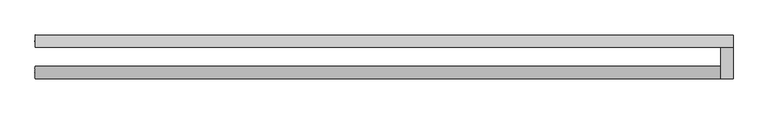
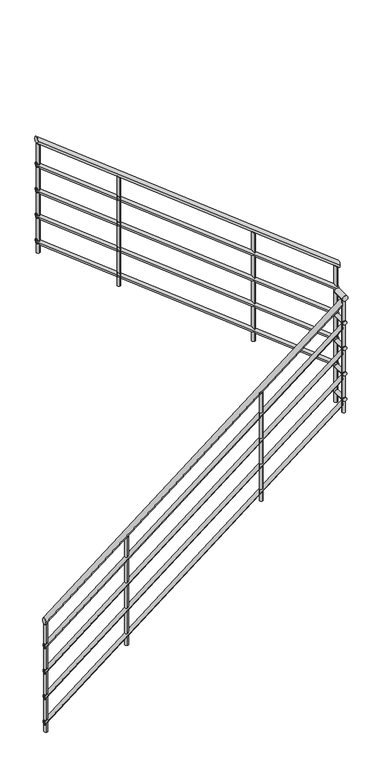
"""IFC4 building model written with IfcOpenShell, lengths in millimetres: railing geometry."""

from ifc_helpers import new_model, si_unit, point, frame, frame_2d, origin, place, context, project, spatial, circle_curve, ellipse_curve, trimmed, segment, composite_curve, outline, extrude, source, transform, mapped, element, save
from ifc_brep_helpers import plane_surface, cylinder_surface, advanced_brep


def railing_787b8aff(model_context):
    return source(origin(), model_context, "Body", "SolidModel", [
        advanced_brep(
        [(-1895.9784025, 14854.6868987, 1757.2120315), (-1895.9784025, 14894.6868987, 1757.2120315), (309.0215975, 14854.6868987, 3482.8642054), (309.0215975, 14894.6868987, 3482.8642054)],
        [
            (0, 1, ellipse_curve(frame((-1895.9784025, 14874.6868987, 1757.2120315), z_axis=(-1.0, 0.0, 0.0), x_axis=(0.0, 0.0, -1.0)), 25.3966641, 20.0)),
            (1, 0, ellipse_curve(frame((-1895.9784025, 14874.6868987, 1757.2120315), z_axis=(-1.0, 0.0, 0.0), x_axis=(0.0, 0.0, -1.0)), 25.3966641, 20.0)),
            (2, 3, ellipse_curve(frame((309.0215975, 14874.6868987, 3482.8642054), z_axis=(1.0, 0.0, 0.0), x_axis=(0.0, 0.0, -1.0)), 25.3966641, 20.0)),
            (3, 2, ellipse_curve(frame((309.0215975, 14874.6868987, 3482.8642054), z_axis=(1.0, 0.0, 0.0), x_axis=(0.0, 0.0, -1.0)), 25.3966641, 20.0)),
            (0, 2),
            (3, 1),
        ],
        [
            plane_surface(frame((-1895.9784025, 14874.6868987, 1782.6086957), z_axis=(-1.0, 0.0, 0.0), x_axis=(0.0, 1.0, 0.0))),
            plane_surface(frame((309.0215975, 14874.6868987, 3508.2608696), z_axis=(1.0, 0.0, 0.0), x_axis=(0.0, 1.0, 0.0))),
            cylinder_surface(frame((-1883.6522373, 14874.6868987, 1766.8585956), z_axis=(-0.7875050010075859, 0.0, -0.6163082616581106), x_axis=(0.0, 1.0, 0.0)), 20.0),
        ],
        [
            (0, [[1, 2]]),
            (1, [[3, 4]]),
            (2, [[-1, 5, -4, 6]]),
            (2, [[-2, -6, -3, -5]]),
        ],
    ),
        advanced_brep(
        [(349.0215975, 14854.6868987, 3523.4782609), (309.0215975, 14854.6868987, 3523.4782609), (349.0215975, 14954.6868987, 3523.4782609), (309.0215975, 14954.6868987, 3523.4782609)],
        [
            (0, 1, circle_curve(frame((329.0215975, 14854.6868987, 3523.4782609), z_axis=(0.0, -1.0, 0.0), x_axis=(-1.0, 0.0, 0.0)), 20.0)),
            (1, 0, circle_curve(frame((329.0215975, 14854.6868987, 3523.4782609), z_axis=(0.0, -1.0, 0.0), x_axis=(-1.0, 0.0, 0.0)), 20.0)),
            (2, 3, circle_curve(frame((329.0215975, 14954.6868987, 3523.4782609), z_axis=(0.0, 1.0, 0.0), x_axis=(-1.0, 0.0, 0.0)), 20.0)),
            (3, 2, circle_curve(frame((329.0215975, 14954.6868987, 3523.4782609), z_axis=(0.0, 1.0, 0.0), x_axis=(-1.0, 0.0, 0.0)), 20.0)),
            (0, 2),
            (3, 1),
        ],
        [
            plane_surface(frame((329.0215975, 14854.6868987, 3543.4782609), z_axis=(0.0, -1.0, 0.0), x_axis=(0.0, 0.0, 1.0))),
            plane_surface(frame((329.0215975, 14954.6868987, 3543.4782609), z_axis=(0.0, 1.0, 0.0), x_axis=(0.0, 0.0, 1.0))),
            cylinder_surface(frame((329.0215975, 14854.6868987, 3523.4782609), z_axis=(0.0, -1.0, 0.0), x_axis=(-1.0, 0.0, 0.0)), 20.0),
        ],
        [
            (0, [[1, 2]]),
            (1, [[3, 4]]),
            (2, [[-1, 5, -4, 6]]),
            (2, [[-2, -6, -3, -5]]),
        ],
    ),
        advanced_brep(
        [(349.0215975, 14994.6868987, 3717.6468141), (349.0215975, 14954.6868987, 3717.6468141), (-1895.9784025, 14994.6868987, 5474.6033359), (-1895.9784025, 14954.6868987, 5474.6033359)],
        [
            (0, 1, ellipse_curve(frame((349.0215975, 14974.6868987, 3717.6468141), z_axis=(1.0, 0.0, 0.0), x_axis=(0.0, 0.0, -1.0)), 25.3966641, 20.0)),
            (1, 0, ellipse_curve(frame((349.0215975, 14974.6868987, 3717.6468141), z_axis=(1.0, 0.0, 0.0), x_axis=(0.0, 0.0, -1.0)), 25.3966641, 20.0)),
            (2, 3, ellipse_curve(frame((-1895.9784025, 14974.6868987, 5474.6033359), z_axis=(-1.0, 0.0, 0.0), x_axis=(0.0, 0.0, -1.0)), 25.3966641, 20.0)),
            (3, 2, ellipse_curve(frame((-1895.9784025, 14974.6868987, 5474.6033359), z_axis=(-1.0, 0.0, 0.0), x_axis=(0.0, 0.0, -1.0)), 25.3966641, 20.0)),
            (0, 2),
            (3, 1),
        ],
        [
            plane_surface(frame((349.0215975, 14974.6868987, 3743.0434783), z_axis=(1.0, 0.0, 0.0), x_axis=(0.0, -1.0, 0.0))),
            plane_surface(frame((-1895.9784025, 14974.6868987, 5500.0), z_axis=(-1.0, 0.0, 0.0), x_axis=(0.0, -1.0, 0.0))),
            cylinder_surface(frame((336.6954323, 14974.6868987, 3727.2933782), z_axis=(0.7875050010075858, 0.0, -0.6163082616581107), x_axis=(0.0, -1.0, 0.0)), 20.0),
        ],
        [
            (0, [[1, 2]]),
            (1, [[3, 4]]),
            (2, [[-1, 5, -4, 6]]),
            (2, [[-2, -6, -3, -5]]),
        ],
    ),
        advanced_brep(
        [(-1895.9784025, 14859.6868987, 1563.5611976), (-1895.9784025, 14889.6868987, 1563.5611976), (314.0215975, 14859.6868987, 3293.126415), (314.0215975, 14889.6868987, 3293.126415)],
        [
            (0, 1, ellipse_curve(frame((-1895.9784025, 14874.6868987, 1563.5611976), z_axis=(-1.0, 0.0, 0.0), x_axis=(0.0, 0.0, -1.0)), 19.0474981, 15.0)),
            (1, 0, ellipse_curve(frame((-1895.9784025, 14874.6868987, 1563.5611976), z_axis=(-1.0, 0.0, 0.0), x_axis=(0.0, 0.0, -1.0)), 19.0474981, 15.0)),
            (2, 3, ellipse_curve(frame((314.0215975, 14874.6868987, 3293.126415), z_axis=(1.0, 0.0, 0.0), x_axis=(0.0, 0.0, -1.0)), 19.0474981, 15.0)),
            (3, 2, ellipse_curve(frame((314.0215975, 14874.6868987, 3293.126415), z_axis=(1.0, 0.0, 0.0), x_axis=(0.0, 0.0, -1.0)), 19.0474981, 15.0)),
            (0, 2),
            (3, 1),
        ],
        [
            plane_surface(frame((-1895.9784025, 14874.6868987, 1582.6086957), z_axis=(-1.0, 0.0, 0.0), x_axis=(0.0, 1.0, 0.0))),
            plane_surface(frame((314.0215975, 14874.6868987, 3312.173913), z_axis=(1.0, 0.0, 0.0), x_axis=(0.0, 1.0, 0.0))),
            cylinder_surface(frame((-1886.7337786, 14874.6868987, 1570.7961206), z_axis=(-0.7875050010075859, 0.0, -0.6163082616581106), x_axis=(0.0, 1.0, 0.0)), 15.0),
        ],
        [
            (0, [[1, 2]]),
            (1, [[3, 4]]),
            (2, [[-1, 5, -4, 6]]),
            (2, [[-2, -6, -3, -5]]),
        ],
    ),
        advanced_brep(
        [(344.0215975, 14859.6868987, 3328.4782609), (314.0215975, 14859.6868987, 3328.4782609), (344.0215975, 14959.6868987, 3328.4782609), (314.0215975, 14959.6868987, 3328.4782609)],
        [
            (0, 1, circle_curve(frame((329.0215975, 14859.6868987, 3328.4782609), z_axis=(0.0, -1.0, 0.0), x_axis=(-1.0, 0.0, 0.0)), 15.0)),
            (1, 0, circle_curve(frame((329.0215975, 14859.6868987, 3328.4782609), z_axis=(0.0, -1.0, 0.0), x_axis=(-1.0, 0.0, 0.0)), 15.0)),
            (2, 3, circle_curve(frame((329.0215975, 14959.6868987, 3328.4782609), z_axis=(0.0, 1.0, 0.0), x_axis=(-1.0, 0.0, 0.0)), 15.0)),
            (3, 2, circle_curve(frame((329.0215975, 14959.6868987, 3328.4782609), z_axis=(0.0, 1.0, 0.0), x_axis=(-1.0, 0.0, 0.0)), 15.0)),
            (0, 2),
            (3, 1),
        ],
        [
            plane_surface(frame((329.0215975, 14859.6868987, 3343.4782609), z_axis=(0.0, -1.0, 0.0), x_axis=(0.0, 0.0, 1.0))),
            plane_surface(frame((329.0215975, 14959.6868987, 3343.4782609), z_axis=(0.0, 1.0, 0.0), x_axis=(0.0, 0.0, 1.0))),
            cylinder_surface(frame((329.0215975, 14859.6868987, 3328.4782609), z_axis=(0.0, -1.0, 0.0), x_axis=(-1.0, 0.0, 0.0)), 15.0),
        ],
        [
            (0, [[1, 2]]),
            (1, [[3, 4]]),
            (2, [[-1, 5, -4, 6]]),
            (2, [[-2, -6, -3, -5]]),
        ],
    ),
        advanced_brep(
        [(344.0215975, 14989.6868987, 3527.9090237), (344.0215975, 14959.6868987, 3527.9090237), (-1895.9784025, 14989.6868987, 5280.9525019), (-1895.9784025, 14959.6868987, 5280.9525019)],
        [
            (0, 1, ellipse_curve(frame((344.0215975, 14974.6868987, 3527.9090237), z_axis=(1.0, 0.0, 0.0), x_axis=(0.0, 0.0, -1.0)), 19.0474981, 15.0)),
            (1, 0, ellipse_curve(frame((344.0215975, 14974.6868987, 3527.9090237), z_axis=(1.0, 0.0, 0.0), x_axis=(0.0, 0.0, -1.0)), 19.0474981, 15.0)),
            (2, 3, ellipse_curve(frame((-1895.9784025, 14974.6868987, 5280.9525019), z_axis=(-1.0, 0.0, 0.0), x_axis=(0.0, 0.0, -1.0)), 19.0474981, 15.0)),
            (3, 2, ellipse_curve(frame((-1895.9784025, 14974.6868987, 5280.9525019), z_axis=(-1.0, 0.0, 0.0), x_axis=(0.0, 0.0, -1.0)), 19.0474981, 15.0)),
            (0, 2),
            (3, 1),
        ],
        [
            plane_surface(frame((344.0215975, 14974.6868987, 3546.9565217), z_axis=(1.0, 0.0, 0.0), x_axis=(0.0, -1.0, 0.0))),
            plane_surface(frame((-1895.9784025, 14974.6868987, 5300.0), z_axis=(-1.0, 0.0, 0.0), x_axis=(0.0, -1.0, 0.0))),
            cylinder_surface(frame((334.7769736, 14974.6868987, 3535.1439467), z_axis=(0.7875050010075858, 0.0, -0.6163082616581107), x_axis=(0.0, -1.0, 0.0)), 15.0),
        ],
        [
            (0, [[1, 2]]),
            (1, [[3, 4]]),
            (2, [[-1, 5, -4, 6]]),
            (2, [[-2, -6, -3, -5]]),
        ],
    ),
        advanced_brep(
        [(-1895.9784025, 14859.6868987, 1363.5611976), (-1895.9784025, 14889.6868987, 1363.5611976), (314.0215975, 14859.6868987, 3093.126415), (314.0215975, 14889.6868987, 3093.126415)],
        [
            (0, 1, ellipse_curve(frame((-1895.9784025, 14874.6868987, 1363.5611976), z_axis=(-1.0, 0.0, 0.0), x_axis=(0.0, 0.0, -1.0)), 19.0474981, 15.0)),
            (1, 0, ellipse_curve(frame((-1895.9784025, 14874.6868987, 1363.5611976), z_axis=(-1.0, 0.0, 0.0), x_axis=(0.0, 0.0, -1.0)), 19.0474981, 15.0)),
            (2, 3, ellipse_curve(frame((314.0215975, 14874.6868987, 3093.126415), z_axis=(1.0, 0.0, 0.0), x_axis=(0.0, 0.0, -1.0)), 19.0474981, 15.0)),
            (3, 2, ellipse_curve(frame((314.0215975, 14874.6868987, 3093.126415), z_axis=(1.0, 0.0, 0.0), x_axis=(0.0, 0.0, -1.0)), 19.0474981, 15.0)),
            (0, 2),
            (3, 1),
        ],
        [
            plane_surface(frame((-1895.9784025, 14874.6868987, 1382.6086957), z_axis=(-1.0, 0.0, 0.0), x_axis=(0.0, 1.0, 0.0))),
            plane_surface(frame((314.0215975, 14874.6868987, 3112.173913), z_axis=(1.0, 0.0, 0.0), x_axis=(0.0, 1.0, 0.0))),
            cylinder_surface(frame((-1886.7337786, 14874.6868987, 1370.7961206), z_axis=(-0.7875050010075859, 0.0, -0.6163082616581106), x_axis=(0.0, 1.0, 0.0)), 15.0),
        ],
        [
            (0, [[1, 2]]),
            (1, [[3, 4]]),
            (2, [[-1, 5, -4, 6]]),
            (2, [[-2, -6, -3, -5]]),
        ],
    ),
        advanced_brep(
        [(344.0215975, 14859.6868987, 3128.4782609), (314.0215975, 14859.6868987, 3128.4782609), (344.0215975, 14959.6868987, 3128.4782609), (314.0215975, 14959.6868987, 3128.4782609)],
        [
            (0, 1, circle_curve(frame((329.0215975, 14859.6868987, 3128.4782609), z_axis=(0.0, -1.0, 0.0), x_axis=(-1.0, 0.0, 0.0)), 15.0)),
            (1, 0, circle_curve(frame((329.0215975, 14859.6868987, 3128.4782609), z_axis=(0.0, -1.0, 0.0), x_axis=(-1.0, 0.0, 0.0)), 15.0)),
            (2, 3, circle_curve(frame((329.0215975, 14959.6868987, 3128.4782609), z_axis=(0.0, 1.0, 0.0), x_axis=(-1.0, 0.0, 0.0)), 15.0)),
            (3, 2, circle_curve(frame((329.0215975, 14959.6868987, 3128.4782609), z_axis=(0.0, 1.0, 0.0), x_axis=(-1.0, 0.0, 0.0)), 15.0)),
            (0, 2),
            (3, 1),
        ],
        [
            plane_surface(frame((329.0215975, 14859.6868987, 3143.4782609), z_axis=(0.0, -1.0, 0.0), x_axis=(0.0, 0.0, 1.0))),
            plane_surface(frame((329.0215975, 14959.6868987, 3143.4782609), z_axis=(0.0, 1.0, 0.0), x_axis=(0.0, 0.0, 1.0))),
            cylinder_surface(frame((329.0215975, 14859.6868987, 3128.4782609), z_axis=(0.0, -1.0, 0.0), x_axis=(-1.0, 0.0, 0.0)), 15.0),
        ],
        [
            (0, [[1, 2]]),
            (1, [[3, 4]]),
            (2, [[-1, 5, -4, 6]]),
            (2, [[-2, -6, -3, -5]]),
        ],
    ),
        advanced_brep(
        [(344.0215975, 14989.6868987, 3327.9090237), (344.0215975, 14959.6868987, 3327.9090237), (-1895.9784025, 14989.6868987, 5080.9525019), (-1895.9784025, 14959.6868987, 5080.9525019)],
        [
            (0, 1, ellipse_curve(frame((344.0215975, 14974.6868987, 3327.9090237), z_axis=(1.0, 0.0, 0.0), x_axis=(0.0, 0.0, -1.0)), 19.0474981, 15.0)),
            (1, 0, ellipse_curve(frame((344.0215975, 14974.6868987, 3327.9090237), z_axis=(1.0, 0.0, 0.0), x_axis=(0.0, 0.0, -1.0)), 19.0474981, 15.0)),
            (2, 3, ellipse_curve(frame((-1895.9784025, 14974.6868987, 5080.9525019), z_axis=(-1.0, 0.0, 0.0), x_axis=(0.0, 0.0, -1.0)), 19.0474981, 15.0)),
            (3, 2, ellipse_curve(frame((-1895.9784025, 14974.6868987, 5080.9525019), z_axis=(-1.0, 0.0, 0.0), x_axis=(0.0, 0.0, -1.0)), 19.0474981, 15.0)),
            (0, 2),
            (3, 1),
        ],
        [
            plane_surface(frame((344.0215975, 14974.6868987, 3346.9565217), z_axis=(1.0, 0.0, 0.0), x_axis=(0.0, -1.0, 0.0))),
            plane_surface(frame((-1895.9784025, 14974.6868987, 5100.0), z_axis=(-1.0, 0.0, 0.0), x_axis=(0.0, -1.0, 0.0))),
            cylinder_surface(frame((334.7769736, 14974.6868987, 3335.1439467), z_axis=(0.7875050010075858, 0.0, -0.6163082616581107), x_axis=(0.0, -1.0, 0.0)), 15.0),
        ],
        [
            (0, [[1, 2]]),
            (1, [[3, 4]]),
            (2, [[-1, 5, -4, 6]]),
            (2, [[-2, -6, -3, -5]]),
        ],
    ),
        advanced_brep(
        [(-1895.9784025, 14859.6868987, 1163.5611976), (-1895.9784025, 14889.6868987, 1163.5611976), (314.0215975, 14859.6868987, 2893.126415), (314.0215975, 14889.6868987, 2893.126415)],
        [
            (0, 1, ellipse_curve(frame((-1895.9784025, 14874.6868987, 1163.5611976), z_axis=(-1.0, 0.0, 0.0), x_axis=(0.0, 0.0, -1.0)), 19.0474981, 15.0)),
            (1, 0, ellipse_curve(frame((-1895.9784025, 14874.6868987, 1163.5611976), z_axis=(-1.0, 0.0, 0.0), x_axis=(0.0, 0.0, -1.0)), 19.0474981, 15.0)),
            (2, 3, ellipse_curve(frame((314.0215975, 14874.6868987, 2893.126415), z_axis=(1.0, 0.0, 0.0), x_axis=(0.0, 0.0, -1.0)), 19.0474981, 15.0)),
            (3, 2, ellipse_curve(frame((314.0215975, 14874.6868987, 2893.126415), z_axis=(1.0, 0.0, 0.0), x_axis=(0.0, 0.0, -1.0)), 19.0474981, 15.0)),
            (0, 2),
            (3, 1),
        ],
        [
            plane_surface(frame((-1895.9784025, 14874.6868987, 1182.6086957), z_axis=(-1.0, 0.0, 0.0), x_axis=(0.0, 1.0, 0.0))),
            plane_surface(frame((314.0215975, 14874.6868987, 2912.173913), z_axis=(1.0, 0.0, 0.0), x_axis=(0.0, 1.0, 0.0))),
            cylinder_surface(frame((-1886.7337786, 14874.6868987, 1170.7961206), z_axis=(-0.7875050010075859, 0.0, -0.6163082616581106), x_axis=(0.0, 1.0, 0.0)), 15.0),
        ],
        [
            (0, [[1, 2]]),
            (1, [[3, 4]]),
            (2, [[-1, 5, -4, 6]]),
            (2, [[-2, -6, -3, -5]]),
        ],
    ),
        advanced_brep(
        [(344.0215975, 14859.6868987, 2928.4782609), (314.0215975, 14859.6868987, 2928.4782609), (344.0215975, 14959.6868987, 2928.4782609), (314.0215975, 14959.6868987, 2928.4782609)],
        [
            (0, 1, circle_curve(frame((329.0215975, 14859.6868987, 2928.4782609), z_axis=(0.0, -1.0, 0.0), x_axis=(-1.0, 0.0, 0.0)), 15.0)),
            (1, 0, circle_curve(frame((329.0215975, 14859.6868987, 2928.4782609), z_axis=(0.0, -1.0, 0.0), x_axis=(-1.0, 0.0, 0.0)), 15.0)),
            (2, 3, circle_curve(frame((329.0215975, 14959.6868987, 2928.4782609), z_axis=(0.0, 1.0, 0.0), x_axis=(-1.0, 0.0, 0.0)), 15.0)),
            (3, 2, circle_curve(frame((329.0215975, 14959.6868987, 2928.4782609), z_axis=(0.0, 1.0, 0.0), x_axis=(-1.0, 0.0, 0.0)), 15.0)),
            (0, 2),
            (3, 1),
        ],
        [
            plane_surface(frame((329.0215975, 14859.6868987, 2943.4782609), z_axis=(0.0, -1.0, 0.0), x_axis=(0.0, 0.0, 1.0))),
            plane_surface(frame((329.0215975, 14959.6868987, 2943.4782609), z_axis=(0.0, 1.0, 0.0), x_axis=(0.0, 0.0, 1.0))),
            cylinder_surface(frame((329.0215975, 14859.6868987, 2928.4782609), z_axis=(0.0, -1.0, 0.0), x_axis=(-1.0, 0.0, 0.0)), 15.0),
        ],
        [
            (0, [[1, 2]]),
            (1, [[3, 4]]),
            (2, [[-1, 5, -4, 6]]),
            (2, [[-2, -6, -3, -5]]),
        ],
    ),
        advanced_brep(
        [(344.0215975, 14989.6868987, 3127.9090237), (344.0215975, 14959.6868987, 3127.9090237), (-1895.9784025, 14989.6868987, 4880.9525019), (-1895.9784025, 14959.6868987, 4880.9525019)],
        [
            (0, 1, ellipse_curve(frame((344.0215975, 14974.6868987, 3127.9090237), z_axis=(1.0, 0.0, 0.0), x_axis=(0.0, 0.0, -1.0)), 19.0474981, 15.0)),
            (1, 0, ellipse_curve(frame((344.0215975, 14974.6868987, 3127.9090237), z_axis=(1.0, 0.0, 0.0), x_axis=(0.0, 0.0, -1.0)), 19.0474981, 15.0)),
            (2, 3, ellipse_curve(frame((-1895.9784025, 14974.6868987, 4880.9525019), z_axis=(-1.0, 0.0, 0.0), x_axis=(0.0, 0.0, -1.0)), 19.0474981, 15.0)),
            (3, 2, ellipse_curve(frame((-1895.9784025, 14974.6868987, 4880.9525019), z_axis=(-1.0, 0.0, 0.0), x_axis=(0.0, 0.0, -1.0)), 19.0474981, 15.0)),
            (0, 2),
            (3, 1),
        ],
        [
            plane_surface(frame((344.0215975, 14974.6868987, 3146.9565217), z_axis=(1.0, 0.0, 0.0), x_axis=(0.0, -1.0, 0.0))),
            plane_surface(frame((-1895.9784025, 14974.6868987, 4900.0), z_axis=(-1.0, 0.0, 0.0), x_axis=(0.0, -1.0, 0.0))),
            cylinder_surface(frame((334.7769736, 14974.6868987, 3135.1439467), z_axis=(0.7875050010075858, 0.0, -0.6163082616581107), x_axis=(0.0, -1.0, 0.0)), 15.0),
        ],
        [
            (0, [[1, 2]]),
            (1, [[3, 4]]),
            (2, [[-1, 5, -4, 6]]),
            (2, [[-2, -6, -3, -5]]),
        ],
    ),
        advanced_brep(
        [(-1895.9784025, 14859.6868987, 963.5611976), (-1895.9784025, 14889.6868987, 963.5611976), (314.0215975, 14859.6868987, 2693.126415), (314.0215975, 14889.6868987, 2693.126415)],
        [
            (0, 1, ellipse_curve(frame((-1895.9784025, 14874.6868987, 963.5611976), z_axis=(-1.0, 0.0, 0.0), x_axis=(0.0, 0.0, -1.0)), 19.0474981, 15.0)),
            (1, 0, ellipse_curve(frame((-1895.9784025, 14874.6868987, 963.5611976), z_axis=(-1.0, 0.0, 0.0), x_axis=(0.0, 0.0, -1.0)), 19.0474981, 15.0)),
            (2, 3, ellipse_curve(frame((314.0215975, 14874.6868987, 2693.126415), z_axis=(1.0, 0.0, 0.0), x_axis=(0.0, 0.0, -1.0)), 19.0474981, 15.0)),
            (3, 2, ellipse_curve(frame((314.0215975, 14874.6868987, 2693.126415), z_axis=(1.0, 0.0, 0.0), x_axis=(0.0, 0.0, -1.0)), 19.0474981, 15.0)),
            (0, 2),
            (3, 1),
        ],
        [
            plane_surface(frame((-1895.9784025, 14874.6868987, 982.6086957), z_axis=(-1.0, 0.0, 0.0), x_axis=(0.0, 1.0, 0.0))),
            plane_surface(frame((314.0215975, 14874.6868987, 2712.173913), z_axis=(1.0, 0.0, 0.0), x_axis=(0.0, 1.0, 0.0))),
            cylinder_surface(frame((-1886.7337786, 14874.6868987, 970.7961206), z_axis=(-0.7875050010075859, 0.0, -0.6163082616581106), x_axis=(0.0, 1.0, 0.0)), 15.0),
        ],
        [
            (0, [[1, 2]]),
            (1, [[3, 4]]),
            (2, [[-1, 5, -4, 6]]),
            (2, [[-2, -6, -3, -5]]),
        ],
    ),
        advanced_brep(
        [(344.0215975, 14859.6868987, 2728.4782609), (314.0215975, 14859.6868987, 2728.4782609), (344.0215975, 14959.6868987, 2728.4782609), (314.0215975, 14959.6868987, 2728.4782609)],
        [
            (0, 1, circle_curve(frame((329.0215975, 14859.6868987, 2728.4782609), z_axis=(0.0, -1.0, 0.0), x_axis=(-1.0, 0.0, 0.0)), 15.0)),
            (1, 0, circle_curve(frame((329.0215975, 14859.6868987, 2728.4782609), z_axis=(0.0, -1.0, 0.0), x_axis=(-1.0, 0.0, 0.0)), 15.0)),
            (2, 3, circle_curve(frame((329.0215975, 14959.6868987, 2728.4782609), z_axis=(0.0, 1.0, 0.0), x_axis=(-1.0, 0.0, 0.0)), 15.0)),
            (3, 2, circle_curve(frame((329.0215975, 14959.6868987, 2728.4782609), z_axis=(0.0, 1.0, 0.0), x_axis=(-1.0, 0.0, 0.0)), 15.0)),
            (0, 2),
            (3, 1),
        ],
        [
            plane_surface(frame((329.0215975, 14859.6868987, 2743.4782609), z_axis=(0.0, -1.0, 0.0), x_axis=(0.0, 0.0, 1.0))),
            plane_surface(frame((329.0215975, 14959.6868987, 2743.4782609), z_axis=(0.0, 1.0, 0.0), x_axis=(0.0, 0.0, 1.0))),
            cylinder_surface(frame((329.0215975, 14859.6868987, 2728.4782609), z_axis=(0.0, -1.0, 0.0), x_axis=(-1.0, 0.0, 0.0)), 15.0),
        ],
        [
            (0, [[1, 2]]),
            (1, [[3, 4]]),
            (2, [[-1, 5, -4, 6]]),
            (2, [[-2, -6, -3, -5]]),
        ],
    ),
        advanced_brep(
        [(344.0215975, 14989.6868987, 2927.9090237), (344.0215975, 14959.6868987, 2927.9090237), (-1895.9784025, 14989.6868987, 4680.9525019), (-1895.9784025, 14959.6868987, 4680.9525019)],
        [
            (0, 1, ellipse_curve(frame((344.0215975, 14974.6868987, 2927.9090237), z_axis=(1.0, 0.0, 0.0), x_axis=(0.0, 0.0, -1.0)), 19.0474981, 15.0)),
            (1, 0, ellipse_curve(frame((344.0215975, 14974.6868987, 2927.9090237), z_axis=(1.0, 0.0, 0.0), x_axis=(0.0, 0.0, -1.0)), 19.0474981, 15.0)),
            (2, 3, ellipse_curve(frame((-1895.9784025, 14974.6868987, 4680.9525019), z_axis=(-1.0, 0.0, 0.0), x_axis=(0.0, 0.0, -1.0)), 19.0474981, 15.0)),
            (3, 2, ellipse_curve(frame((-1895.9784025, 14974.6868987, 4680.9525019), z_axis=(-1.0, 0.0, 0.0), x_axis=(0.0, 0.0, -1.0)), 19.0474981, 15.0)),
            (0, 2),
            (3, 1),
        ],
        [
            plane_surface(frame((344.0215975, 14974.6868987, 2946.9565217), z_axis=(1.0, 0.0, 0.0), x_axis=(0.0, -1.0, 0.0))),
            plane_surface(frame((-1895.9784025, 14974.6868987, 4700.0), z_axis=(-1.0, 0.0, 0.0), x_axis=(0.0, -1.0, 0.0))),
            cylinder_surface(frame((334.7769736, 14974.6868987, 2935.1439467), z_axis=(0.7875050010075858, 0.0, -0.6163082616581107), x_axis=(0.0, -1.0, 0.0)), 15.0),
        ],
        [
            (0, [[1, 2]]),
            (1, [[3, 4]]),
            (2, [[-1, 5, -4, 6]]),
            (2, [[-2, -6, -3, -5]]),
        ],
    ),
        advanced_brep(
        [(-1283.4784025, 14962.1868987, 4969.8588457), (-1283.4784025, 14987.1868987, 4969.8588457), (-1283.4784025, 14987.1868987, 4120.6521739), (-1283.4784025, 14962.1868987, 4120.6521739)],
        [
            (0, 1, ellipse_curve(frame((-1283.4784025, 14974.6868987, 4969.8588457), z_axis=(-0.6163082616581094, 0.0, -0.7875050010075869), x_axis=(-0.787505001007587, 0.0, 0.6163082616581093)), 15.8729151, 12.5)),
            (1, 2),
            (2, 3, circle_curve(frame((-1283.4784025, 14974.6868987, 4120.6521739), z_axis=(0.0, 0.0, 1.0), x_axis=(0.0, 1.0, 0.0)), 12.5)),
            (3, 0),
            (3, 2, circle_curve(frame((-1283.4784025, 14974.6868987, 4120.6521739), z_axis=(0.0, 0.0, 1.0), x_axis=(0.0, 1.0, 0.0)), 12.5)),
            (1, 0, ellipse_curve(frame((-1283.4784025, 14974.6868987, 4969.8588457), z_axis=(-0.6163082616581094, 0.0, -0.7875050010075869), x_axis=(-0.787505001007587, 0.0, 0.6163082616581093)), 15.8729151, 12.5)),
        ],
        [
            cylinder_surface(frame((-1283.4784025, 14974.6868987, 4020.6521739), z_axis=(0.0, 0.0, 1.0), x_axis=(0.0, 1.0, 0.0)), 12.5),
            plane_surface(frame((-1308.4784025, 14999.6868987, 4989.4240631), z_axis=(0.6163082616581094, 0.0, 0.7875050010075869), x_axis=(0.0, -1.0, 0.0))),
            plane_surface(frame((-1258.4784025, 14999.6868987, 4120.6521739), z_axis=(0.0, 0.0, -1.0), x_axis=(0.0, -1.0, 0.0))),
        ],
        [
            (0, [[1, 2, 3, 4]]),
            (0, [[5, -2, 6, -4]]),
            (1, [[-6, -1]]),
            (2, [[-5, -3]]),
        ],
    ),
        advanced_brep(
        [(-283.4784025, 14962.1868987, 4187.25015), (-283.4784025, 14987.1868987, 4187.25015), (-283.4784025, 14987.1868987, 3338.0434783), (-283.4784025, 14962.1868987, 3338.0434783)],
        [
            (0, 1, ellipse_curve(frame((-283.4784025, 14974.6868987, 4187.25015), z_axis=(-0.6163082616581094, 0.0, -0.7875050010075869), x_axis=(-0.787505001007587, 0.0, 0.6163082616581093)), 15.8729151, 12.5)),
            (1, 2),
            (2, 3, circle_curve(frame((-283.4784025, 14974.6868987, 3338.0434783), z_axis=(0.0, 0.0, 1.0), x_axis=(0.0, 1.0, 0.0)), 12.5)),
            (3, 0),
            (3, 2, circle_curve(frame((-283.4784025, 14974.6868987, 3338.0434783), z_axis=(0.0, 0.0, 1.0), x_axis=(0.0, 1.0, 0.0)), 12.5)),
            (1, 0, ellipse_curve(frame((-283.4784025, 14974.6868987, 4187.25015), z_axis=(-0.6163082616581094, 0.0, -0.7875050010075869), x_axis=(-0.787505001007587, 0.0, 0.6163082616581093)), 15.8729151, 12.5)),
        ],
        [
            cylinder_surface(frame((-283.4784025, 14974.6868987, 3238.0434783), z_axis=(0.0, 0.0, 1.0), x_axis=(0.0, 1.0, 0.0)), 12.5),
            plane_surface(frame((-308.4784025, 14999.6868987, 4206.8153674), z_axis=(0.6163082616581094, 0.0, 0.7875050010075869), x_axis=(0.0, -1.0, 0.0))),
            plane_surface(frame((-258.4784025, 14999.6868987, 3338.0434783), z_axis=(0.0, 0.0, -1.0), x_axis=(0.0, -1.0, 0.0))),
        ],
        [
            (0, [[1, 2, 3, 4]]),
            (0, [[5, -2, 6, -4]]),
            (1, [[-6, -1]]),
            (2, [[-5, -3]]),
        ],
    ),
        advanced_brep(
        [(-283.4784025, 14887.1868987, 2993.7718892), (-283.4784025, 14862.1868987, 2993.7718892), (-283.4784025, 14862.1868987, 2144.5652174), (-283.4784025, 14887.1868987, 2144.5652174)],
        [
            (0, 1, ellipse_curve(frame((-283.4784025, 14874.6868987, 2993.7718892), z_axis=(0.6163082616581094, 0.0, -0.7875050010075869), x_axis=(0.787505001007587, 0.0, 0.6163082616581093)), 15.8729151, 12.5)),
            (1, 2),
            (2, 3, circle_curve(frame((-283.4784025, 14874.6868987, 2144.5652174), z_axis=(0.0, 0.0, 1.0), x_axis=(0.0, -1.0, 0.0)), 12.5)),
            (3, 0),
            (3, 2, circle_curve(frame((-283.4784025, 14874.6868987, 2144.5652174), z_axis=(0.0, 0.0, 1.0), x_axis=(0.0, -1.0, 0.0)), 12.5)),
            (1, 0, ellipse_curve(frame((-283.4784025, 14874.6868987, 2993.7718892), z_axis=(0.6163082616581094, 0.0, -0.7875050010075869), x_axis=(0.787505001007587, 0.0, 0.6163082616581093)), 15.8729151, 12.5)),
        ],
        [
            cylinder_surface(frame((-283.4784025, 14874.6868987, 2044.5652174), z_axis=(0.0, 0.0, 1.0), x_axis=(0.0, -1.0, 0.0)), 12.5),
            plane_surface(frame((-258.4784025, 14849.6868987, 3013.3371066), z_axis=(-0.6163082616581094, 0.0, 0.7875050010075869), x_axis=(0.0, 1.0, 0.0))),
            plane_surface(frame((-308.4784025, 14849.6868987, 2144.5652174), z_axis=(0.0, 0.0, -1.0), x_axis=(0.0, 1.0, 0.0))),
        ],
        [
            (0, [[1, 2, 3, 4]]),
            (0, [[5, -2, 6, -4]]),
            (1, [[-6, -1]]),
            (2, [[-5, -3]]),
        ],
    ),
        advanced_brep(
        [(-1283.4784025, 14887.1868987, 2211.1631935), (-1283.4784025, 14862.1868987, 2211.1631935), (-1283.4784025, 14862.1868987, 1361.9565217), (-1283.4784025, 14887.1868987, 1361.9565217)],
        [
            (0, 1, ellipse_curve(frame((-1283.4784025, 14874.6868987, 2211.1631935), z_axis=(0.6163082616581094, 0.0, -0.7875050010075869), x_axis=(0.787505001007587, 0.0, 0.6163082616581093)), 15.8729151, 12.5)),
            (1, 2),
            (2, 3, circle_curve(frame((-1283.4784025, 14874.6868987, 1361.9565217), z_axis=(0.0, 0.0, 1.0), x_axis=(0.0, -1.0, 0.0)), 12.5)),
            (3, 0),
            (3, 2, circle_curve(frame((-1283.4784025, 14874.6868987, 1361.9565217), z_axis=(0.0, 0.0, 1.0), x_axis=(0.0, -1.0, 0.0)), 12.5)),
            (1, 0, ellipse_curve(frame((-1283.4784025, 14874.6868987, 2211.1631935), z_axis=(0.6163082616581094, 0.0, -0.7875050010075869), x_axis=(0.787505001007587, 0.0, 0.6163082616581093)), 15.8729151, 12.5)),
        ],
        [
            cylinder_surface(frame((-1283.4784025, 14874.6868987, 1261.9565217), z_axis=(0.0, 0.0, 1.0), x_axis=(0.0, -1.0, 0.0)), 12.5),
            plane_surface(frame((-1258.4784025, 14849.6868987, 2230.7284109), z_axis=(-0.6163082616581094, 0.0, 0.7875050010075869), x_axis=(0.0, 1.0, 0.0))),
            plane_surface(frame((-1308.4784025, 14849.6868987, 1361.9565217), z_axis=(0.0, 0.0, -1.0), x_axis=(0.0, 1.0, 0.0))),
        ],
        [
            (0, [[1, 2, 3, 4]]),
            (0, [[5, -2, 6, -4]]),
            (1, [[-6, -1]]),
            (2, [[-5, -3]]),
        ],
    ),
        advanced_brep(
        [(329.0215975, 14962.1868987, 3707.9023239), (329.0215975, 14987.1868987, 3707.9023239), (329.0215975, 14987.1868987, 2643.4782609), (329.0215975, 14962.1868987, 2643.4782609)],
        [
            (0, 1, ellipse_curve(frame((329.0215975, 14974.6868987, 3707.9023239), z_axis=(-0.6163082616581094, 0.0, -0.7875050010075869), x_axis=(-0.787505001007587, 0.0, 0.6163082616581093)), 15.8729151, 12.5)),
            (1, 2),
            (2, 3, circle_curve(frame((329.0215975, 14974.6868987, 2643.4782609), z_axis=(0.0, 0.0, 1.0), x_axis=(0.0, 1.0, 0.0)), 12.5)),
            (3, 0),
            (3, 2, circle_curve(frame((329.0215975, 14974.6868987, 2643.4782609), z_axis=(0.0, 0.0, 1.0), x_axis=(0.0, 1.0, 0.0)), 12.5)),
            (1, 0, ellipse_curve(frame((329.0215975, 14974.6868987, 3707.9023239), z_axis=(-0.6163082616581094, 0.0, -0.7875050010075869), x_axis=(-0.787505001007587, 0.0, 0.6163082616581093)), 15.8729151, 12.5)),
        ],
        [
            cylinder_surface(frame((329.0215975, 14974.6868987, 2543.4782609), z_axis=(0.0, 0.0, 1.0), x_axis=(0.0, 1.0, 0.0)), 12.5),
            plane_surface(frame((304.0215975, 14999.6868987, 3727.4675413), z_axis=(0.6163082616581094, 0.0, 0.7875050010075869), x_axis=(0.0, -1.0, 0.0))),
            plane_surface(frame((354.0215975, 14999.6868987, 2643.4782609), z_axis=(0.0, 0.0, -1.0), x_axis=(0.0, -1.0, 0.0))),
        ],
        [
            (0, [[1, 2, 3, 4]]),
            (0, [[5, -2, 6, -4]]),
            (1, [[-6, -1]]),
            (2, [[-5, -3]]),
        ],
    ),
        extrude(outline(composite_curve([segment(trimmed(circle_curve(frame_2d((329.0215975, 14874.6868987)), 12.5), [point((341.5215975, 14874.6868987))], [point((316.5215975, 14874.6868987))], False, "CARTESIAN"), True, "CONTINUOUS"), segment(trimmed(circle_curve(frame_2d((329.0215975, 14874.6868987)), 12.5), [point((316.5215975, 14874.6868987))], [point((341.5215975, 14874.6868987))], False, "CARTESIAN"), True, "CONTINUOUS")], self_intersect=False)), frame((0.0, 0.0, 2623.9130435), z_axis=(0.0, 0.0, 1.0), x_axis=(1.0, 0.0, 0.0)), (0.0, 0.0, 1.0), 879.5652174),
        advanced_brep(
        [(-1883.7918036, 14962.1868987, 5439.6693335), (-1883.7918036, 14987.1868987, 5439.6693335), (-1883.7918036, 14987.1868987, 4590.4626617), (-1883.7918036, 14962.1868987, 4590.4626617)],
        [
            (0, 1, ellipse_curve(frame((-1883.7918036, 14974.6868987, 5439.6693335), z_axis=(-0.6163082616581094, 0.0, -0.7875050010075869), x_axis=(-0.787505001007587, 0.0, 0.6163082616581093)), 15.8729151, 12.5)),
            (1, 2),
            (2, 3, circle_curve(frame((-1883.7918036, 14974.6868987, 4590.4626617), z_axis=(0.0, 0.0, 1.0), x_axis=(0.0, 1.0, 0.0)), 12.5)),
            (3, 0),
            (3, 2, circle_curve(frame((-1883.7918036, 14974.6868987, 4590.4626617), z_axis=(0.0, 0.0, 1.0), x_axis=(0.0, 1.0, 0.0)), 12.5)),
            (1, 0, ellipse_curve(frame((-1883.7918036, 14974.6868987, 5439.6693335), z_axis=(-0.6163082616581094, 0.0, -0.7875050010075869), x_axis=(-0.787505001007587, 0.0, 0.6163082616581093)), 15.8729151, 12.5)),
        ],
        [
            cylinder_surface(frame((-1883.7918036, 14974.6868987, 4490.4626617), z_axis=(0.0, 0.0, 1.0), x_axis=(0.0, 1.0, 0.0)), 12.5),
            plane_surface(frame((-1908.7918036, 14999.6868987, 5459.2345509), z_axis=(0.6163082616581094, 0.0, 0.7875050010075869), x_axis=(0.0, -1.0, 0.0))),
            plane_surface(frame((-1858.7918036, 14999.6868987, 4590.4626617), z_axis=(0.0, 0.0, -1.0), x_axis=(0.0, -1.0, 0.0))),
        ],
        [
            (0, [[1, 2, 3, 4]]),
            (0, [[5, -2, 6, -4]]),
            (1, [[-6, -1]]),
            (2, [[-5, -3]]),
        ],
    ),
        advanced_brep(
        [(-1883.7918036, 14887.1868987, 1741.3527057), (-1883.7918036, 14862.1868987, 1741.3527057), (-1883.7918036, 14862.1868987, 892.1460339), (-1883.7918036, 14887.1868987, 892.1460339)],
        [
            (0, 1, ellipse_curve(frame((-1883.7918036, 14874.6868987, 1741.3527057), z_axis=(0.6163082616581094, 0.0, -0.7875050010075869), x_axis=(0.787505001007587, 0.0, 0.6163082616581093)), 15.8729151, 12.5)),
            (1, 2),
            (2, 3, circle_curve(frame((-1883.7918036, 14874.6868987, 892.1460339), z_axis=(0.0, 0.0, 1.0), x_axis=(0.0, -1.0, 0.0)), 12.5)),
            (3, 0),
            (3, 2, circle_curve(frame((-1883.7918036, 14874.6868987, 892.1460339), z_axis=(0.0, 0.0, 1.0), x_axis=(0.0, -1.0, 0.0)), 12.5)),
            (1, 0, ellipse_curve(frame((-1883.7918036, 14874.6868987, 1741.3527057), z_axis=(0.6163082616581094, 0.0, -0.7875050010075869), x_axis=(0.787505001007587, 0.0, 0.6163082616581093)), 15.8729151, 12.5)),
        ],
        [
            cylinder_surface(frame((-1883.7918036, 14874.6868987, 792.1460339), z_axis=(0.0, 0.0, 1.0), x_axis=(0.0, -1.0, 0.0)), 12.5),
            plane_surface(frame((-1858.7918036, 14849.6868987, 1760.9179231), z_axis=(-0.6163082616581094, 0.0, 0.7875050010075869), x_axis=(0.0, 1.0, 0.0))),
            plane_surface(frame((-1908.7918036, 14849.6868987, 892.1460339), z_axis=(0.0, 0.0, -1.0), x_axis=(0.0, 1.0, 0.0))),
        ],
        [
            (0, [[1, 2, 3, 4]]),
            (0, [[5, -2, 6, -4]]),
            (1, [[-6, -1]]),
            (2, [[-5, -3]]),
        ],
    ),
    ])


if __name__ == "__main__":
    model = new_model("IFC4")
    model_context = context("Model", 3, world=origin())
    ifc_project = project(units=[si_unit("LENGTHUNIT", "METRE", prefix="MILLI")], contexts=[model_context])
    site = spatial("IfcSite", under=ifc_project)
    building = spatial("IfcBuilding", under=site)
    placement = place(None, origin())
    railing_shape = railing_787b8aff(model_context)
    element("IfcRailing", 1, at=placement, inside=building, context=model_context, shape_type="MappedRepresentation", body=[
        mapped(railing_shape, transform((0.0, 0.0, 0.0), x_axis=(1.0, 0.0, 0.0), y_axis=(0.0, 1.0, 0.0), z_axis=(0.0, 0.0, 1.0))),
    ])
    save(model, "model.ifc")
